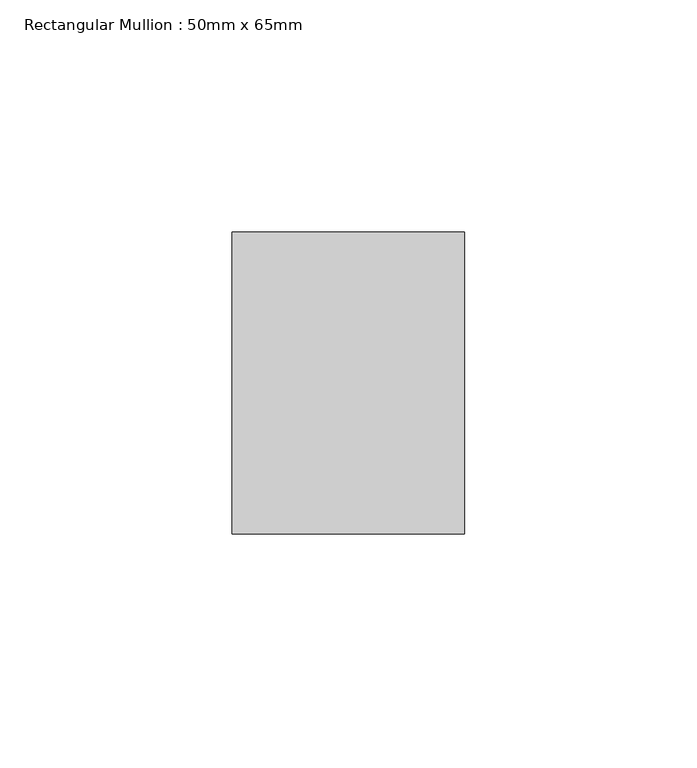
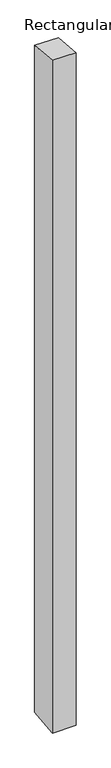
"""IFC4 building model written with IfcOpenShell, lengths in millimetres: member geometry, Rectangular Mullion : 50mm x 65mm."""

from ifc_helpers import new_model, si_unit, origin, place, context, project, spatial, faceted_brep, source, transform, mapped, element, save


def rectangular_mullion_50mm_x_65mm_3188e328(model_context):
    return source(origin(), model_context, "Body", "Brep", [
        faceted_brep([(-25.0, 32.5, -2.9911509), (25.0, 32.5, -2.9911618), (25.0, 32.5, -1496.6283821), (-25.0, 32.5, -1496.6283944), (-25.0, -32.5, 2.9911618), (-25.0, -32.5, -1503.3717593), (25.0, -32.5, 2.9911509), (25.0, -32.5, -1503.371747)], [[[0, 1, 2, 3]], [[4, 0, 3, 5]], [[6, 4, 5, 7]], [[1, 6, 7, 2]], [[1, 0, 4, 6]], [[2, 7, 5, 3]]]),
    ])


if __name__ == "__main__":
    model = new_model("IFC4")
    model_context = context("Model", 3, world=origin())
    ifc_project = project(units=[si_unit("LENGTHUNIT", "METRE", prefix="MILLI")], contexts=[model_context])
    site = spatial("IfcSite", under=ifc_project)
    building = spatial("IfcBuilding", under=site)
    placement = place(None, origin())
    rectangular_mullion_50mm_x_65mm_shape = rectangular_mullion_50mm_x_65mm_3188e328(model_context)
    element("IfcMember", 1, ObjectType="Rectangular Mullion : 50mm x 65mm", at=placement, inside=building, context=model_context, shape_type="MappedRepresentation", body=[
        mapped(rectangular_mullion_50mm_x_65mm_shape, transform((0.0, 0.0, 0.0), x_axis=(1.0, 0.0, 0.0), y_axis=(0.0, 1.0, 0.0), z_axis=(0.0, 0.0, 1.0))),
    ])
    save(model, "model.ifc")
